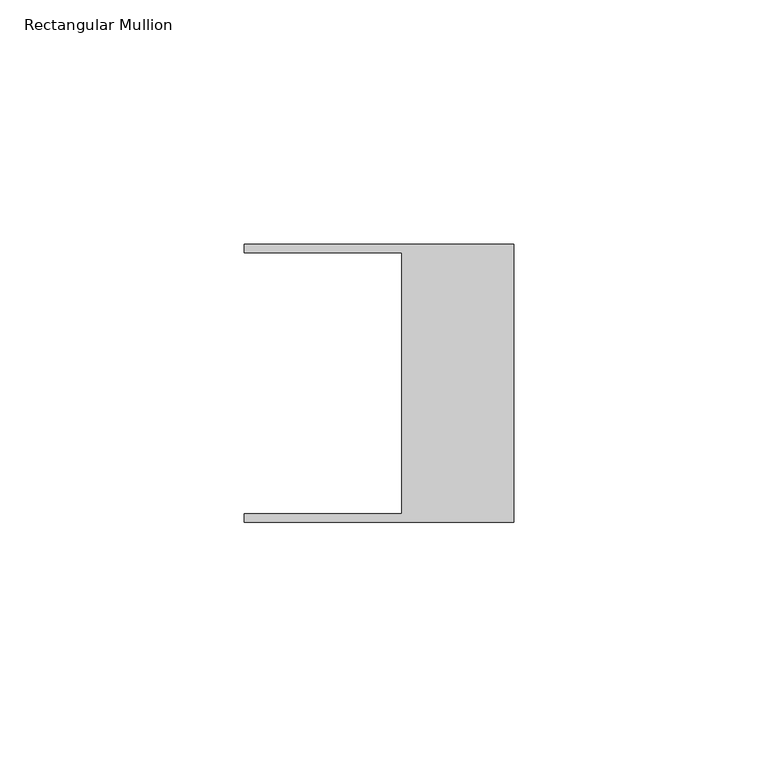
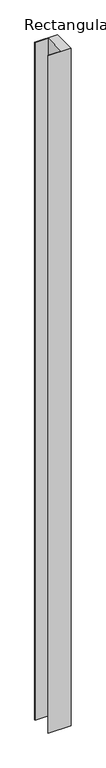
"""IFC4 building model written with IfcOpenShell, lengths in millimetres: member geometry, Rectangular Mullion."""

from ifc_helpers import new_model, si_unit, frame, origin, place, context, project, spatial, polyline, outline, extrude, source, transform, mapped, element, save


def rectangular_mullion_23536213(model_context):
    return source(origin(), model_context, "Body", "SweptSolid", [
        extrude(outline(polyline([(-55.118, -26.67), (-22.86, -26.67), (-22.86, 26.67), (-55.118, 26.67), (-55.118, 28.448), (0.0, 28.448), (0.0, -28.448), (-55.118, -28.448), (-55.118, -26.67)])), frame((0.0, 0.0, -1737.7575743), z_axis=(0.0, 0.0, 1.0), x_axis=(1.0, 0.0, 0.0)), (0.0, 0.0, 1.0), 1737.7575743),
    ])


if __name__ == "__main__":
    model = new_model("IFC4")
    model_context = context("Model", 3, world=origin())
    ifc_project = project(units=[si_unit("LENGTHUNIT", "METRE", prefix="MILLI")], contexts=[model_context])
    site = spatial("IfcSite", under=ifc_project)
    building = spatial("IfcBuilding", under=site)
    placement = place(None, origin())
    rectangular_mullion_shape = rectangular_mullion_23536213(model_context)
    element("IfcMember", 1, ObjectType="Rectangular Mullion", at=placement, inside=building, context=model_context, shape_type="MappedRepresentation", body=[
        mapped(rectangular_mullion_shape, transform((0.0, 0.0, 0.0), x_axis=(1.0, 0.0, 0.0), y_axis=(0.0, 1.0, 0.0), z_axis=(0.0, 0.0, 1.0))),
    ])
    save(model, "model.ifc")
